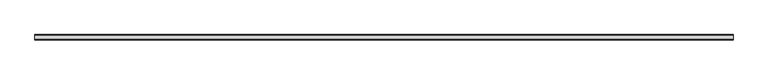
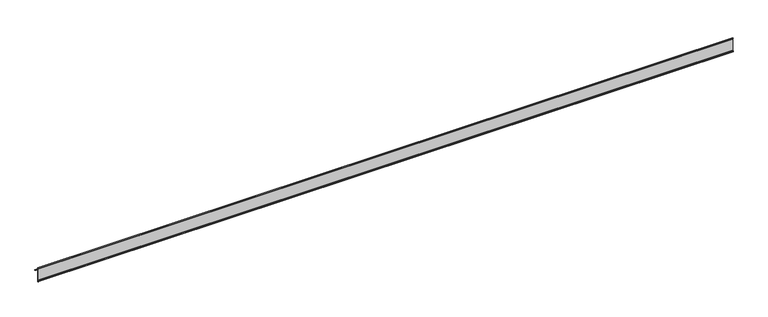
"""IFC4 building model written with IfcOpenShell, lengths in millimetres: proxy geometry."""

from ifc_helpers import new_model, si_unit, point, frame, frame_2d, origin, place, context, project, spatial, polyline, circle_curve, trimmed, segment, composite_curve, outline, extrude, source, transform, mapped, element, save


def generic_models_02861f8b(model_context):
    return source(origin(), model_context, "Body", "SweptSolid", [
        extrude(outline(composite_curve([segment(trimmed(circle_curve(frame_2d((-44059.9177407, 306.479592)), 0.8), [point((-44059.7201032, 307.2547949))], [point((-44060.5363897, 305.9723707))], False, "CARTESIAN"), True, "CONTINUOUS"), segment(trimmed(circle_curve(frame_2d((-44041.4534375, 342.063431)), 40.8255275), [point((-44060.5363897, 305.9723707))], [point((-44074.8538594, 318.5871555))], False, "CARTESIAN"), True, "CONTINUOUS"), segment(polyline([(-44074.8538594, 318.5871555), (-44074.8538594, 274.6864927)]), True, "CONTINUOUS"), segment(trimmed(circle_curve(frame_2d((-44076.1038594, 274.6864927)), 1.25), [point((-44074.8538594, 274.6864927))], [point((-44077.3538594, 274.6864927))], False, "CARTESIAN"), True, "CONTINUOUS"), segment(polyline([(-44077.3538594, 274.6864927), (-44077.3538594, 276.6364927), (-44076.3538594, 278.5577822), (-44076.3538594, 318.3272025), (-44076.0383913, 320.4028832)]), True, "CONTINUOUS"), segment(trimmed(circle_curve(frame_2d((-44056.5452723, 336.9379084)), 25.56147), [point((-44076.0383913, 320.4028832))], [point((-44077.3538594, 322.0923215))], False, "CARTESIAN"), True, "CONTINUOUS"), segment(polyline([(-44077.3538594, 322.0923215), (-44076.0038579, 323.5916501)]), True, "CONTINUOUS"), segment(trimmed(circle_curve(frame_2d((-44044.0851435, 339.1227764)), 35.4967634), [point((-44076.0038579, 323.5916501))], [point((-44059.7201032, 307.2547949))], True, "CARTESIAN"), True, "CONTINUOUS")], self_intersect=False)), frame((-5295.3690716, 0.0, 0.0), z_axis=(1.0, 0.0, 0.0), x_axis=(0.0, 1.0, 0.0)), (0.0, 0.0, 1.0), 2400.0),
    ])


if __name__ == "__main__":
    model = new_model("IFC4")
    model_context = context("Model", 3, world=origin())
    ifc_project = project(units=[si_unit("LENGTHUNIT", "METRE", prefix="MILLI")], contexts=[model_context])
    site = spatial("IfcSite", under=ifc_project)
    building = spatial("IfcBuilding", under=site)
    placement = place(None, origin())
    generic_models_shape = generic_models_02861f8b(model_context)
    element("IfcBuildingElementProxy", 1, Name="Generic Models", at=placement, inside=building, context=model_context, shape_type="MappedRepresentation", body=[
        mapped(generic_models_shape, transform((0.0, 0.0, 0.0), x_axis=(1.0, 0.0, 0.0), y_axis=(0.0, 1.0, 0.0), z_axis=(0.0, 0.0, 1.0))),
    ])
    save(model, "model.ifc")
